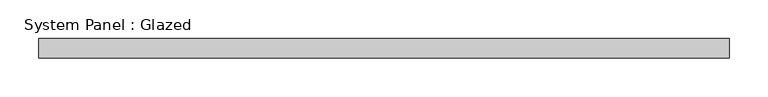
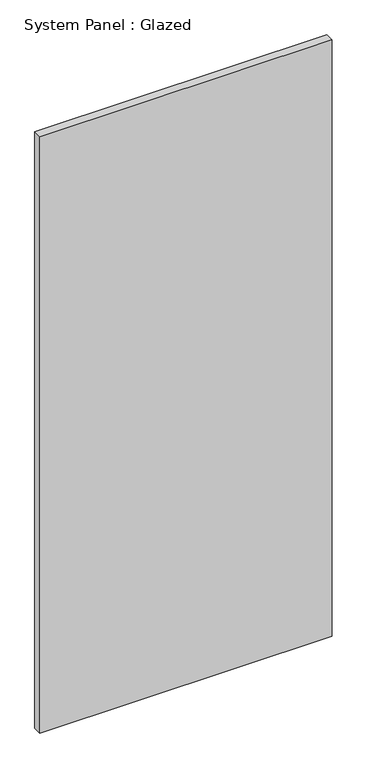
"""IFC4 building model written with IfcOpenShell, lengths in millimetres: plate geometry, System Panel : Glazed."""

from ifc_helpers import new_model, si_unit, origin, origin_with_axes, place, context, project, spatial, polyline, outline, extrude, source, transform, mapped, element, save


def system_panel_glazed_058de248(model_context):
    return source(origin(), model_context, "Body", "SweptSolid", [
        extrude(outline(polyline([(446.2816244, 19.05), (-446.2816244, 19.05), (-446.2816244, 44.45), (446.2816244, 44.45), (446.2816244, 19.05)])), origin_with_axes(), (0.0, 0.0, 1.0), 1924.05),
    ])


if __name__ == "__main__":
    model = new_model("IFC4")
    model_context = context("Model", 3, world=origin())
    ifc_project = project(units=[si_unit("LENGTHUNIT", "METRE", prefix="MILLI")], contexts=[model_context])
    site = spatial("IfcSite", under=ifc_project)
    building = spatial("IfcBuilding", under=site)
    placement = place(None, origin())
    system_panel_glazed_shape = system_panel_glazed_058de248(model_context)
    element("IfcPlate", 1, ObjectType="System Panel : Glazed", at=placement, inside=building, context=model_context, shape_type="MappedRepresentation", body=[
        mapped(system_panel_glazed_shape, transform((0.0, 0.0, 0.0), x_axis=(1.0, 0.0, 0.0), y_axis=(0.0, 1.0, 0.0), z_axis=(0.0, 0.0, 1.0))),
    ])
    save(model, "model.ifc")
